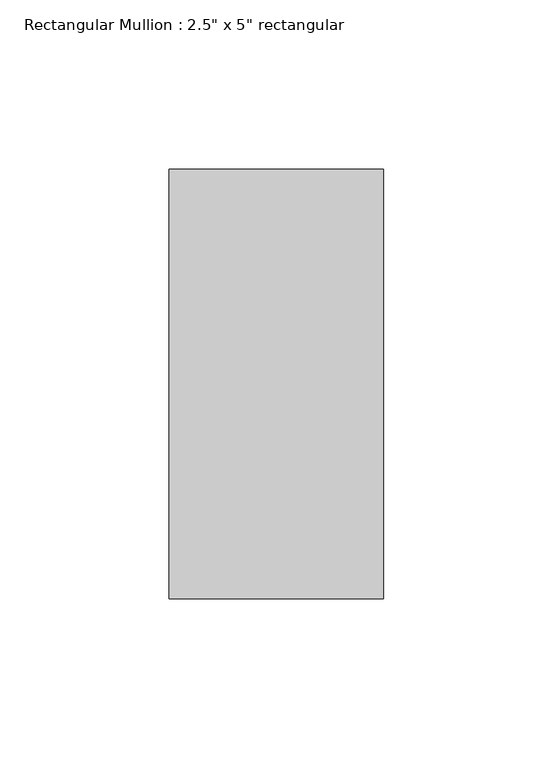
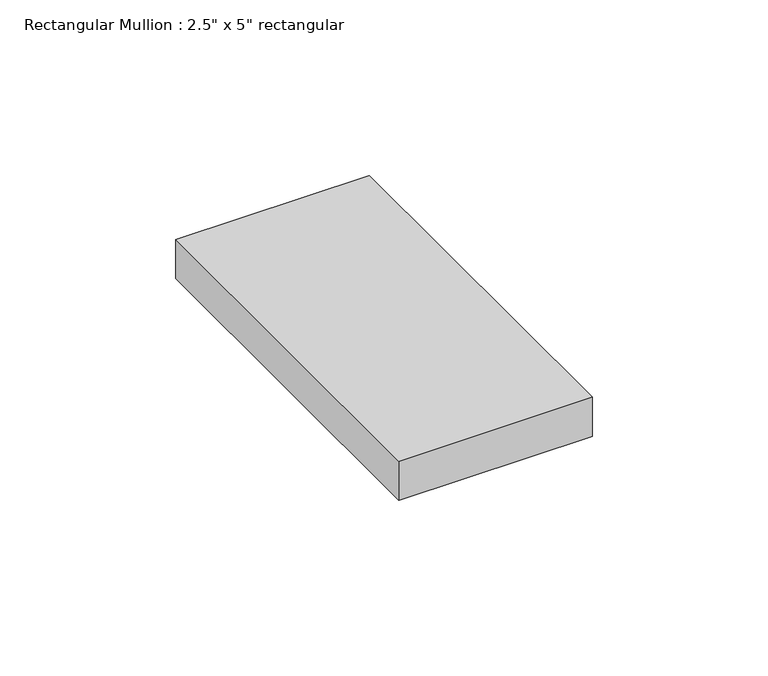
"""IFC4 building model written with IfcOpenShell, lengths in millimetres: member geometry."""

from ifc_helpers import new_model, si_unit, frame, origin, place, context, project, spatial, polyline, outline, extrude, source, transform, mapped, element, save


def member_5b3af49d(model_context):
    return source(origin(), model_context, "Body", "SweptSolid", [
        extrude(outline(polyline([(0.0, 63.5), (0.0, -63.5), (-63.5, -63.5), (-63.5, 63.5), (0.0, 63.5)])), frame((0.0, 0.0, -13.5607144), z_axis=(0.0, 0.0, 1.0), x_axis=(1.0, 0.0, 0.0)), (0.0, 0.0, 1.0), 13.5607144),
    ])


if __name__ == "__main__":
    model = new_model("IFC4")
    model_context = context("Model", 3, world=origin())
    ifc_project = project(units=[si_unit("LENGTHUNIT", "METRE", prefix="MILLI")], contexts=[model_context])
    site = spatial("IfcSite", under=ifc_project)
    building = spatial("IfcBuilding", under=site)
    placement = place(None, origin())
    member_shape = member_5b3af49d(model_context)
    element("IfcMember", 1, ObjectType="Rectangular Mullion : 2.5\" x 5\" rectangular", at=placement, inside=building, context=model_context, shape_type="MappedRepresentation", body=[
        mapped(member_shape, transform((0.0, 0.0, 0.0), x_axis=(1.0, 0.0, 0.0), y_axis=(0.0, 1.0, 0.0), z_axis=(0.0, 0.0, 1.0))),
    ])
    save(model, "model.ifc")
